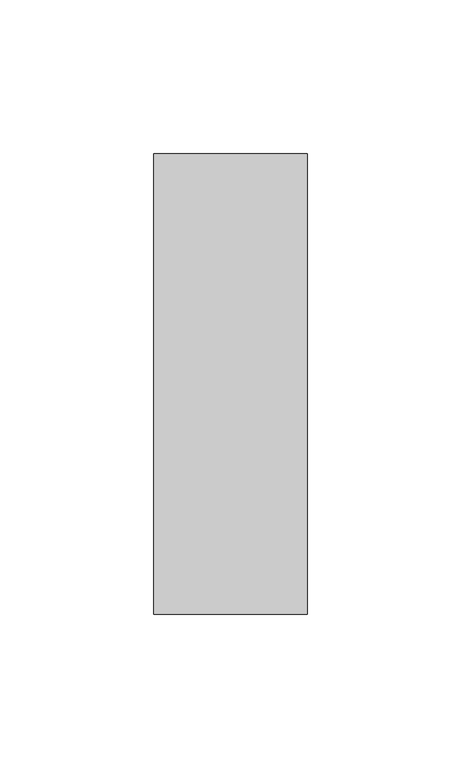
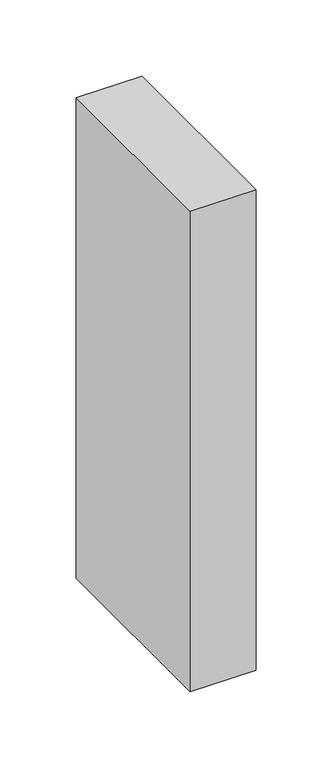
"""IFC4 building model written with IfcOpenShell, lengths in millimetres: member geometry."""

from ifc_helpers import new_model, si_unit, frame, origin, place, context, project, spatial, polyline, outline, extrude, source, transform, mapped, element, save


def member_8108f97d(model_context):
    return source(origin(), model_context, "Body", "SweptSolid", [
        extrude(outline(polyline([(0.0, 75.0), (0.0, -75.0), (-50.0, -75.0), (-50.0, 75.0), (0.0, 75.0)])), frame((0.0, 0.0, -385.4505288), z_axis=(0.0, 0.0, 1.0), x_axis=(1.0, 0.0, 0.0)), (0.0, 0.0, 1.0), 385.4505288),
    ])


if __name__ == "__main__":
    model = new_model("IFC4")
    model_context = context("Model", 3, world=origin())
    ifc_project = project(units=[si_unit("LENGTHUNIT", "METRE", prefix="MILLI")], contexts=[model_context])
    site = spatial("IfcSite", under=ifc_project)
    building = spatial("IfcBuilding", under=site)
    placement = place(None, origin())
    member_shape = member_8108f97d(model_context)
    element("IfcMember", 1, at=placement, inside=building, context=model_context, shape_type="MappedRepresentation", body=[
        mapped(member_shape, transform((0.0, 0.0, 0.0), x_axis=(1.0, 0.0, 0.0), y_axis=(0.0, 1.0, 0.0), z_axis=(0.0, 0.0, 1.0))),
    ])
    save(model, "model.ifc")
